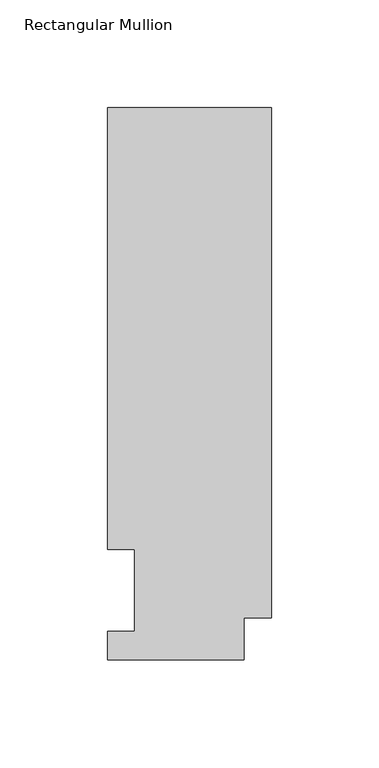
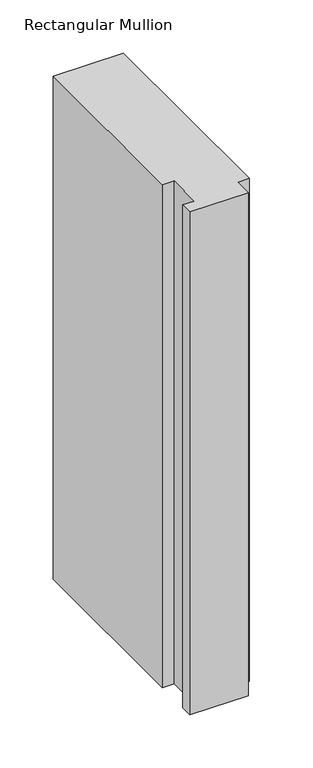
"""IFC4 building model written with IfcOpenShell, lengths in millimetres: member geometry, Rectangular Mullion."""

from ifc_helpers import new_model, si_unit, frame, origin, place, context, project, spatial, polyline, outline, extrude, source, transform, mapped, element, save


def rectangular_mullion_31f648c9(model_context):
    return source(origin(), model_context, "Body", "SweptSolid", [
        extrude(outline(polyline([(-76.2000001, 295.1821313), (0.0, 295.1821313), (0.0, 57.8445312), (-12.7, 57.8445312), (-12.7, 38.3119312), (-76.2000001, 38.3119312), (-76.2000001, 51.4945313), (-63.5000001, 51.4945313), (-63.5000001, 89.5945312), (-76.2000001, 89.5945313), (-76.2000001, 295.1821313)])), frame((0.0, 0.0, -577.85), z_axis=(0.0, 0.0, 1.0), x_axis=(1.0, 0.0, 0.0)), (0.0, 0.0, 1.0), 577.85),
    ])


if __name__ == "__main__":
    model = new_model("IFC4")
    model_context = context("Model", 3, world=origin())
    ifc_project = project(units=[si_unit("LENGTHUNIT", "METRE", prefix="MILLI")], contexts=[model_context])
    site = spatial("IfcSite", under=ifc_project)
    building = spatial("IfcBuilding", under=site)
    placement = place(None, origin())
    rectangular_mullion_shape = rectangular_mullion_31f648c9(model_context)
    element("IfcMember", 1, ObjectType="Rectangular Mullion", at=placement, inside=building, context=model_context, shape_type="MappedRepresentation", body=[
        mapped(rectangular_mullion_shape, transform((0.0, 0.0, 0.0), x_axis=(1.0, 0.0, 0.0), y_axis=(0.0, 1.0, 0.0), z_axis=(0.0, 0.0, 1.0))),
    ])
    save(model, "model.ifc")
